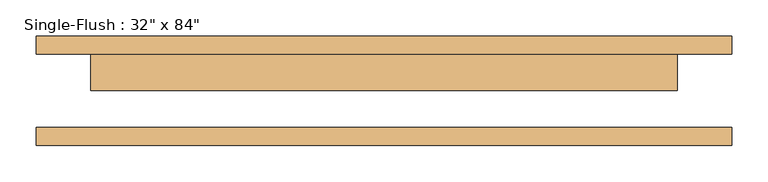
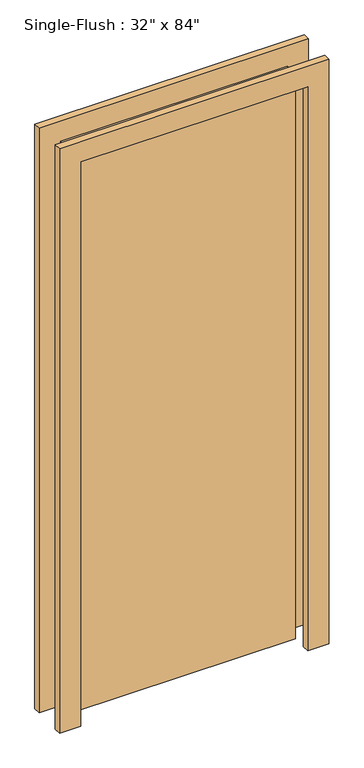
"""IFC4 building model written with IfcOpenShell, lengths in millimetres: door geometry."""

from ifc_helpers import new_model, si_unit, frame, origin, origin_with_axes, place, context, project, spatial, polyline, outline, extrude, source, transform, mapped, element, save


def door_43eb77c0(model_context):
    return source(origin(), model_context, "Body", "SweptSolid", [
        extrude(outline(polyline([(2209.8, -482.6), (0.0, -482.6), (0.0, -406.4), (2133.6, -406.4), (2133.6, 406.4), (0.0, 406.4), (0.0, 482.6), (2209.8, 482.6), (2209.8, -482.6)])), frame((0.0, 50.8, 0.0), z_axis=(0.0, 1.0, 0.0), x_axis=(0.0, 0.0, 1.0)), (0.0, 0.0, 1.0), 25.4),
        extrude(outline(polyline([(2209.8, 482.6), (2209.8, -482.6), (0.0, -482.6), (0.0, -406.4), (2133.6, -406.4), (2133.6, 406.4), (0.0, 406.4), (0.0, 482.6), (2209.8, 482.6)])), frame((0.0, -76.2, 0.0), z_axis=(0.0, 1.0, 0.0), x_axis=(0.0, 0.0, 1.0)), (0.0, 0.0, 1.0), 25.4),
        extrude(outline(polyline([(406.4, 0.0), (-406.4, 0.0), (-406.4, 50.8), (406.4, 50.8), (406.4, 0.0)])), origin_with_axes(), (0.0, 0.0, 1.0), 2133.6),
    ])


if __name__ == "__main__":
    model = new_model("IFC4")
    model_context = context("Model", 3, world=origin())
    ifc_project = project(units=[si_unit("LENGTHUNIT", "METRE", prefix="MILLI")], contexts=[model_context])
    site = spatial("IfcSite", under=ifc_project)
    building = spatial("IfcBuilding", under=site)
    placement = place(None, origin())
    door_shape = door_43eb77c0(model_context)
    element("IfcDoor", 1, ObjectType="Single-Flush : 32\" x 84\"", at=placement, inside=building, context=model_context, shape_type="MappedRepresentation", body=[
        mapped(door_shape, transform((0.0, 0.0, 0.0), x_axis=(1.0, 0.0, 0.0), y_axis=(0.0, 1.0, 0.0), z_axis=(0.0, 0.0, 1.0))),
    ])
    save(model, "model.ifc")
